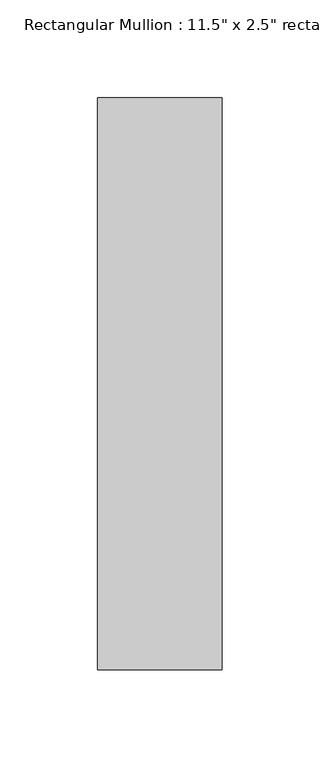
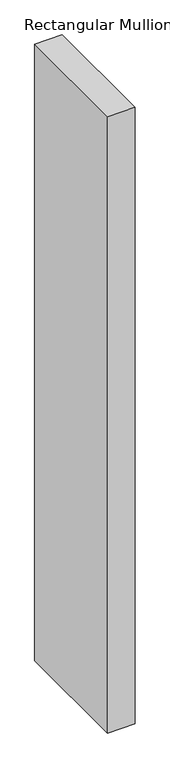
"""IFC4 building model written with IfcOpenShell, lengths in millimetres: member geometry."""

from ifc_helpers import new_model, si_unit, frame, origin, place, context, project, spatial, polyline, outline, extrude, source, transform, mapped, element, save


def member_15c9c33d(model_context):
    return source(origin(), model_context, "Body", "SweptSolid", [
        extrude(outline(polyline([(0.0, 203.2), (0.0, -88.9), (-63.5, -88.9), (-63.5, 203.2), (0.0, 203.2)])), frame((0.0, 0.0, -1504.95), z_axis=(0.0, 0.0, 1.0), x_axis=(1.0, 0.0, 0.0)), (0.0, 0.0, 1.0), 1504.95),
    ])


if __name__ == "__main__":
    model = new_model("IFC4")
    model_context = context("Model", 3, world=origin())
    ifc_project = project(units=[si_unit("LENGTHUNIT", "METRE", prefix="MILLI")], contexts=[model_context])
    site = spatial("IfcSite", under=ifc_project)
    building = spatial("IfcBuilding", under=site)
    placement = place(None, origin())
    member_shape = member_15c9c33d(model_context)
    element("IfcMember", 1, ObjectType="Rectangular Mullion : 11.5\" x 2.5\" rectangular", at=placement, inside=building, context=model_context, shape_type="MappedRepresentation", body=[
        mapped(member_shape, transform((0.0, 0.0, 0.0), x_axis=(1.0, 0.0, 0.0), y_axis=(0.0, 1.0, 0.0), z_axis=(0.0, 0.0, 1.0))),
    ])
    save(model, "model.ifc")
